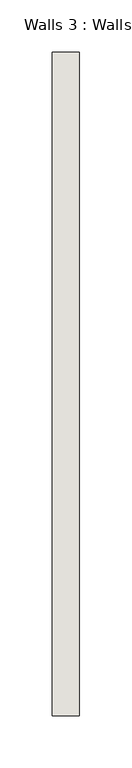
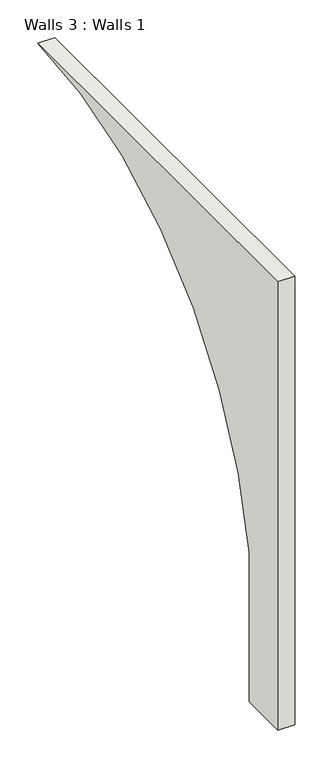
"""IFC4 building model written with IfcOpenShell, lengths in millimetres: wall geometry, Walls 3 : Walls 1."""

from ifc_helpers import new_model, si_unit, frame, origin, place, context, project, spatial, polyline, circle_curve, source, transform, mapped, element, save
from ifc_brep_helpers import plane_surface, revolved_surface, advanced_brep


def walls_3_walls_1_c3c07abb(model_context):
    return source(origin(), model_context, "Body", "AdvancedBrep", [
        advanced_brep(
        [(-12104.9872133, -2220.0393227, 1333.5), (-12104.9872133, -2220.0393227, 609.6), (-12104.9872133, -2143.8393227, 609.6), (-12104.9872133, -2143.8393227, 850.9), (-12104.9872133, -1585.0393227, 1333.5), (-12130.8906904, -2220.0393227, 1333.5), (-12130.8906904, -1585.0393227, 1333.5), (-12130.8906904, -2143.8393227, 850.9), (-12130.8906904, -2143.8393227, 609.6), (-12130.8906904, -2220.0393227, 609.6)],
        [
            (0, 1),
            (1, 2),
            (2, 3),
            (3, 4, circle_curve(frame((-12104.9872133, -1585.0393227, 768.6842105), z_axis=(-1.0, 0.0, 0.0), x_axis=(0.0, 0.0, -1.0)), 564.8157895)),
            (4, 0),
            (5, 6),
            (6, 7, circle_curve(frame((-12130.8906904, -1585.0393227, 768.6842105), z_axis=(1.0, 0.0, 0.0), x_axis=(0.0, 0.0, -1.0)), 564.8157895)),
            (7, 8),
            (8, 9),
            (9, 5),
            (0, 5),
            (9, 1),
            (8, 2),
            (7, 3),
            (6, 4),
        ],
        [
            plane_surface(frame((-12104.9872133, -2220.0393227, 762.0), z_axis=(1.0, 0.0, 0.0), x_axis=(0.0, 0.0, -1.0))),
            plane_surface(frame((-12130.8906904, -2220.0393227, 762.0), z_axis=(-1.0, 0.0, 0.0), x_axis=(0.0, 0.0, 1.0))),
            plane_surface(frame((-12104.9872133, -2220.0393227, 1333.5), z_axis=(0.0, -1.0, 0.0), x_axis=(-1.0, 0.0, 0.0))),
            plane_surface(frame((-12104.9872133, -2220.0393227, 609.6), z_axis=(0.0, 0.0, -1.0), x_axis=(-1.0, 0.0, 0.0))),
            plane_surface(frame((-12104.9872133, -2143.8393227, 609.6), z_axis=(0.0, 1.0, 0.0), x_axis=(-1.0, 0.0, 0.0))),
            revolved_surface(polyline([(-12130.8906904, -1585.0393227, 203.8684209999999), (-12104.9872133, -1585.0393227, 203.8684209999999)]), (-12130.8906904, -1585.0393227, 768.6842105), (-1.0, 0.0, 0.0)),
            plane_surface(frame((-12104.9872133, -1585.0393227, 1333.5), z_axis=(0.0, 0.0, 1.0), x_axis=(-1.0, 0.0, 0.0))),
        ],
        [
            (0, [[1, 2, 3, 4, 5]]),
            (1, [[6, 7, 8, 9, 10]]),
            (2, [[-1, 11, -10, 12]]),
            (3, [[-2, -12, -9, 13]]),
            (4, [[-3, -13, -8, 14]]),
            (5, [[-4, -14, -7, 15]]),
            (6, [[-5, -15, -6, -11]]),
        ],
    ),
    ])


if __name__ == "__main__":
    model = new_model("IFC4")
    model_context = context("Model", 3, world=origin())
    ifc_project = project(units=[si_unit("LENGTHUNIT", "METRE", prefix="MILLI")], contexts=[model_context])
    site = spatial("IfcSite", under=ifc_project)
    building = spatial("IfcBuilding", under=site)
    placement = place(None, origin())
    walls_3_walls_1_shape = walls_3_walls_1_c3c07abb(model_context)
    element("IfcWall", 1, ObjectType="Walls 3 : Walls 1", at=placement, inside=building, context=model_context, shape_type="MappedRepresentation", body=[
        mapped(walls_3_walls_1_shape, transform((0.0, 0.0, 0.0), x_axis=(1.0, 0.0, 0.0), y_axis=(0.0, 1.0, 0.0), z_axis=(0.0, 0.0, 1.0))),
    ])
    save(model, "model.ifc")
